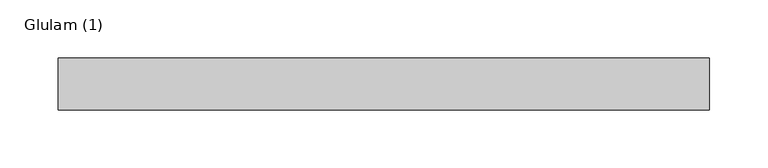
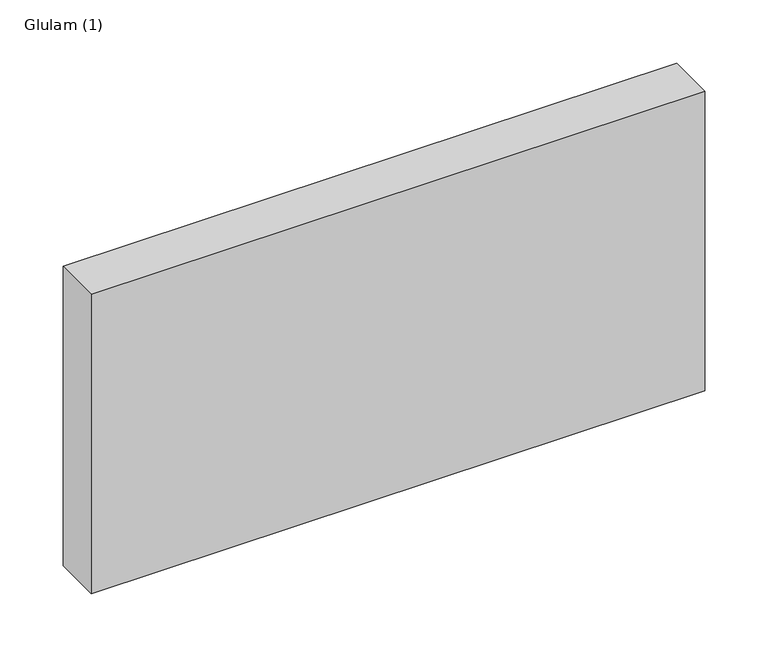
"""IFC4 building model written with IfcOpenShell, lengths in millimetres: beam geometry, Glulam (1)."""

from ifc_helpers import new_model, si_unit, frame, origin, place, context, project, spatial, polyline, outline, extrude, source, transform, mapped, element, save


def glulam_1_46175608(model_context):
    return source(origin(), model_context, "Body", "SweptSolid", [
        extrude(outline(polyline([(277.0, 22.5), (277.0, -22.5), (-285.0, -22.5), (-285.0, 22.5), (277.0, 22.5)])), frame((0.0, 0.0, -145.0), z_axis=(0.0, 0.0, 1.0), x_axis=(1.0, 0.0, 0.0)), (0.0, 0.0, 1.0), 290.0),
    ])


if __name__ == "__main__":
    model = new_model("IFC4")
    model_context = context("Model", 3, world=origin())
    ifc_project = project(units=[si_unit("LENGTHUNIT", "METRE", prefix="MILLI")], contexts=[model_context])
    site = spatial("IfcSite", under=ifc_project)
    building = spatial("IfcBuilding", under=site)
    placement = place(None, origin())
    glulam_1_shape = glulam_1_46175608(model_context)
    element("IfcBeam", 1, ObjectType="Glulam (1)", at=placement, inside=building, context=model_context, shape_type="MappedRepresentation", body=[
        mapped(glulam_1_shape, transform((0.0, 0.0, 0.0), x_axis=(1.0, 0.0, 0.0), y_axis=(0.0, 1.0, 0.0), z_axis=(0.0, 0.0, 1.0))),
    ])
    save(model, "model.ifc")
